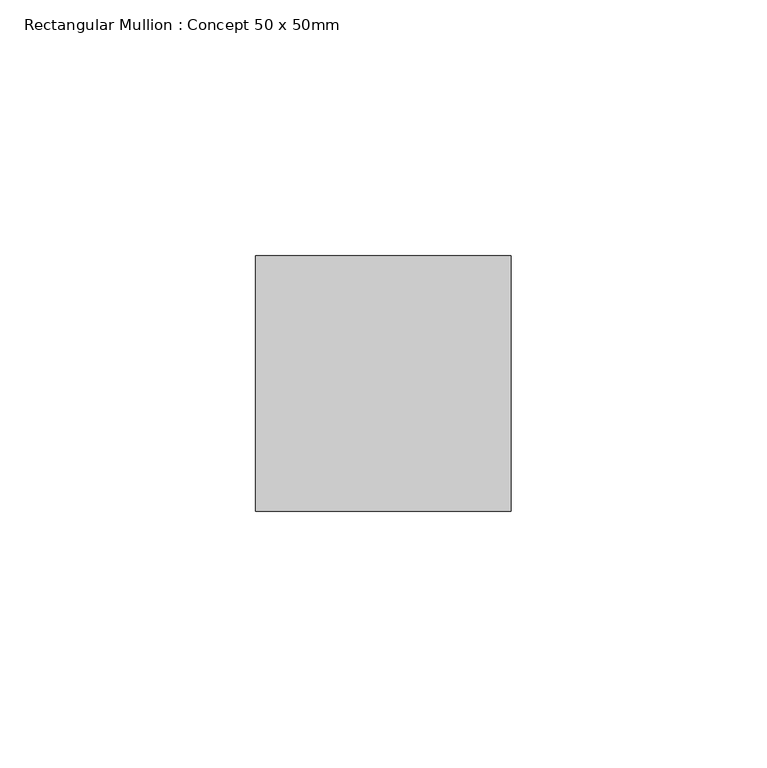
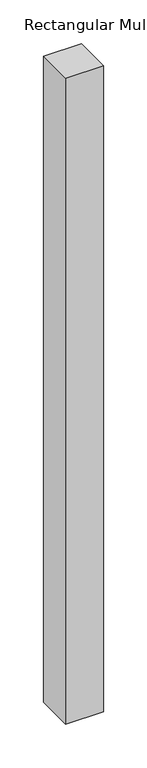
"""IFC4 building model written with IfcOpenShell, lengths in millimetres: member geometry, Rectangular Mullion : Concept 50 x 50mm."""

from ifc_helpers import new_model, si_unit, frame, origin, place, context, project, spatial, polyline, outline, extrude, source, transform, mapped, element, save


def rectangular_mullion_concept_50_x_50mm_9fa63a0f(model_context):
    return source(origin(), model_context, "Body", "SweptSolid", [
        extrude(outline(polyline([(0.0, 50.0), (0.0, 0.0), (-50.0, 0.0), (-50.0, 50.0), (0.0, 50.0)])), frame((0.0, 0.0, -901.25), z_axis=(0.0, 0.0, 1.0), x_axis=(1.0, 0.0, 0.0)), (0.0, 0.0, 1.0), 901.25),
    ])


if __name__ == "__main__":
    model = new_model("IFC4")
    model_context = context("Model", 3, world=origin())
    ifc_project = project(units=[si_unit("LENGTHUNIT", "METRE", prefix="MILLI")], contexts=[model_context])
    site = spatial("IfcSite", under=ifc_project)
    building = spatial("IfcBuilding", under=site)
    placement = place(None, origin())
    rectangular_mullion_concept_50_x_50mm_shape = rectangular_mullion_concept_50_x_50mm_9fa63a0f(model_context)
    element("IfcMember", 1, ObjectType="Rectangular Mullion : Concept 50 x 50mm", at=placement, inside=building, context=model_context, shape_type="MappedRepresentation", body=[
        mapped(rectangular_mullion_concept_50_x_50mm_shape, transform((0.0, 0.0, 0.0), x_axis=(1.0, 0.0, 0.0), y_axis=(0.0, 1.0, 0.0), z_axis=(0.0, 0.0, 1.0))),
    ])
    save(model, "model.ifc")
